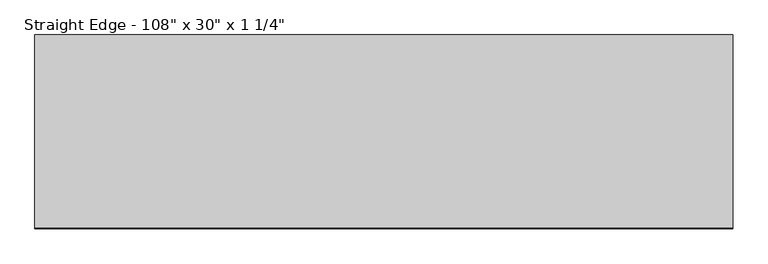
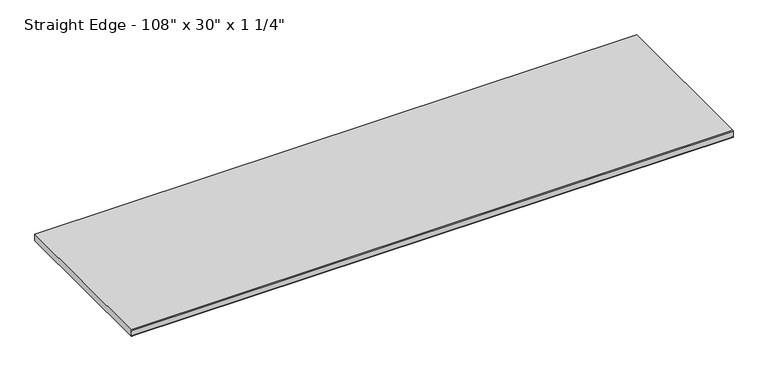
"""IFC4 building model written with IfcOpenShell, lengths in millimetres: furniture geometry."""

from ifc_helpers import new_model, si_unit, point, frame, frame_2d, origin, place, context, project, spatial, polyline, circle_curve, trimmed, segment, composite_curve, outline, extrude, source, transform, mapped, element, save


def furniture_4fd977f9(model_context):
    return source(origin(), model_context, "Body", "SweptSolid", [
        extrude(outline(composite_curve([segment(polyline([(-733.425, 914.4), (25.4, 914.4), (25.4, 882.65), (-733.425, 882.65)]), True, "CONTINUOUS"), segment(trimmed(circle_curve(frame_2d((-733.425, 885.825)), 3.175), [point((-733.425, 882.65))], [point((-736.6, 885.825))], False, "CARTESIAN"), True, "CONTINUOUS"), segment(polyline([(-736.6, 885.825), (-736.6, 911.225)]), True, "CONTINUOUS"), segment(trimmed(circle_curve(frame_2d((-733.425, 911.225)), 3.175), [point((-736.6, 911.225))], [point((-733.425, 914.4))], False, "CARTESIAN"), True, "CONTINUOUS")], self_intersect=False)), frame((-1200.4622951, 0.0, 0.0), z_axis=(1.0, 0.0, 0.0), x_axis=(0.0, 1.0, 0.0)), (0.0, 0.0, 1.0), 2743.2),
    ])


if __name__ == "__main__":
    model = new_model("IFC4")
    model_context = context("Model", 3, world=origin())
    ifc_project = project(units=[si_unit("LENGTHUNIT", "METRE", prefix="MILLI")], contexts=[model_context])
    site = spatial("IfcSite", under=ifc_project)
    building = spatial("IfcBuilding", under=site)
    placement = place(None, origin())
    furniture_shape = furniture_4fd977f9(model_context)
    element("IfcFurniture", 1, ObjectType="Straight Edge - 108\" x 30\" x 1 1/4\"", at=placement, inside=building, context=model_context, shape_type="MappedRepresentation", body=[
        mapped(furniture_shape, transform((0.0, 0.0, 0.0), x_axis=(1.0, 0.0, 0.0), y_axis=(0.0, 1.0, 0.0), z_axis=(0.0, 0.0, 1.0))),
    ])
    save(model, "model.ifc")
